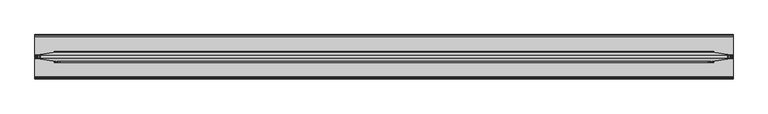
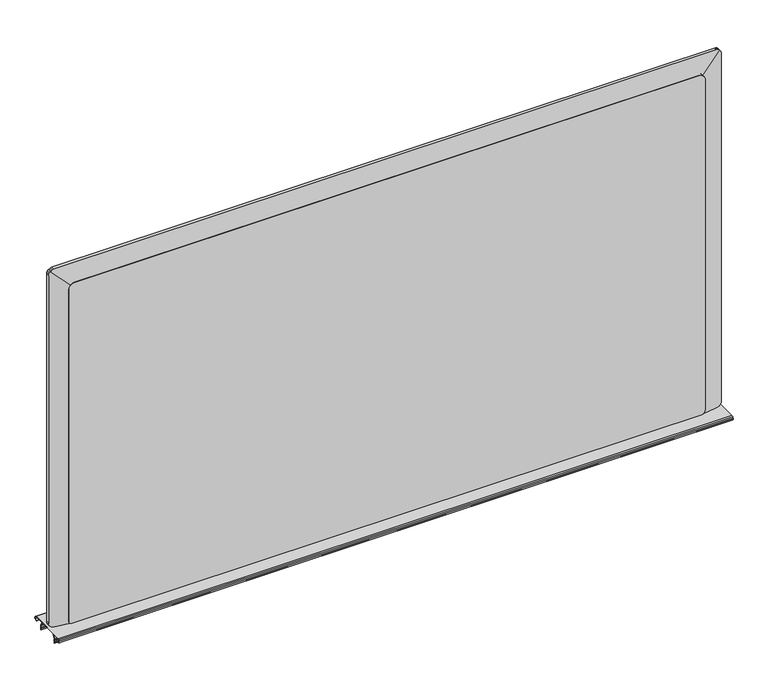
"""IFC4 building model written with IfcOpenShell, lengths in millimetres: furniture geometry."""

from ifc_helpers import new_model, si_unit, point, frame, frame_2d, origin, place, context, project, spatial, polyline, circle_curve, trimmed, segment, composite_curve, outline, extrude, faceted_brep, source, transform, mapped, element, save


def furniture_2015cd92(model_context):
    return source(origin(), model_context, "Body", "SolidModel", [
        extrude(outline(composite_curve([segment(trimmed(circle_curve(frame_2d((-75.1928863, 721.9857415)), 2.430138), [point((-76.6170666, 720.0166602))], [point((-77.2846954, 723.222635))], False, "CARTESIAN"), True, "CONTINUOUS"), segment(polyline([(-77.2846954, 723.222635), (-76.0762752, 725.2662905)]), True, "CONTINUOUS"), segment(trimmed(circle_curve(frame_2d((-74.0187119, 724.0496466)), 2.3903534), [point((-76.0762752, 725.2662905))], [point((-74.0187119, 726.44))], False, "CARTESIAN"), True, "CONTINUOUS"), segment(polyline([(-74.0187119, 726.44), (-4.2648863, 726.44)]), True, "CONTINUOUS"), segment(trimmed(circle_curve(frame_2d((-4.2648863, 724.0496466)), 2.3903534), [point((-4.2648863, 726.44))], [point((-2.207323, 725.2662905))], False, "CARTESIAN"), True, "CONTINUOUS"), segment(polyline([(-2.207323, 725.2662905), (-0.9989028, 723.222635)]), True, "CONTINUOUS"), segment(trimmed(circle_curve(frame_2d((-3.0907119, 721.9857415)), 2.430138), [point((-0.9989028, 723.222635))], [point((-1.6665316, 720.0166602))], False, "CARTESIAN"), True, "CONTINUOUS"), segment(polyline([(-1.6665316, 720.0166602), (-4.4860224, 717.9774031), (-4.9474775, 718.615414), (-2.1279867, 720.6546711)]), True, "CONTINUOUS"), segment(trimmed(circle_curve(frame_2d((-3.0907119, 721.9857415)), 1.642738), [point((-2.1279867, 720.6546711))], [point((-1.6766793, 722.8218636))], True, "CARTESIAN"), True, "CONTINUOUS"), segment(polyline([(-1.6766793, 722.8218636), (-2.8850995, 724.8655191)]), True, "CONTINUOUS"), segment(trimmed(circle_curve(frame_2d((-4.2648863, 724.0496466)), 1.6029534), [point((-2.8850995, 724.8655191))], [point((-4.2648863, 725.6526))], True, "CARTESIAN"), True, "CONTINUOUS"), segment(polyline([(-4.2648863, 725.6526), (-74.0187119, 725.6526)]), True, "CONTINUOUS"), segment(trimmed(circle_curve(frame_2d((-74.0187119, 724.0496466)), 1.6029534), [point((-74.0187119, 725.6526))], [point((-75.3984987, 724.8655191))], True, "CARTESIAN"), True, "CONTINUOUS"), segment(polyline([(-75.3984987, 724.8655191), (-76.6069189, 722.8218636)]), True, "CONTINUOUS"), segment(trimmed(circle_curve(frame_2d((-75.1928863, 721.9857415)), 1.642738), [point((-76.6069189, 722.8218636))], [point((-76.1556115, 720.6546711))], True, "CARTESIAN"), True, "CONTINUOUS"), segment(polyline([(-76.1556115, 720.6546711), (-73.3361207, 718.615414), (-73.7975758, 717.9774031), (-76.6170666, 720.0166602)]), True, "CONTINUOUS")], self_intersect=False)), frame((0.9128077, 0.0, 0.0), z_axis=(1.0, 0.0, 0.0), x_axis=(0.0, 1.0, 0.0)), (0.0, 0.0, 1.0), 1217.3743847),
        extrude(outline(composite_curve([segment(polyline([(-56.0461627, 725.6526), (-55.1072956, 725.6526), (-60.3912441, 717.5160387)]), True, "CONTINUOUS"), segment(trimmed(circle_curve(frame_2d((-59.5056044, 716.9408971)), 1.0560045), [point((-60.3912441, 717.5160387))], [point((-60.3859585, 716.3576971))], True, "CARTESIAN"), True, "CONTINUOUS"), segment(polyline([(-60.3859585, 716.3576971), (-59.3045938, 714.7253517)]), True, "CONTINUOUS"), segment(trimmed(circle_curve(frame_2d((-60.7484403, 713.7688601)), 1.7319264), [point((-59.3045938, 714.7253517))], [point((-59.5749626, 712.4950787))], False, "CARTESIAN"), True, "CONTINUOUS"), segment(polyline([(-59.5749626, 712.4950787), (-60.3183145, 711.8102619)]), True, "CONTINUOUS"), segment(trimmed(circle_curve(frame_2d((-59.7283038, 711.1698197)), 0.8707921), [point((-60.3183145, 711.8102619))], [point((-60.5065655, 710.779195))], True, "CARTESIAN"), True, "CONTINUOUS"), segment(polyline([(-60.5065655, 710.779195), (-59.6251222, 709.0230501), (-60.328853, 708.6698339), (-61.2102963, 710.4259788)]), True, "CONTINUOUS"), segment(trimmed(circle_curve(frame_2d((-59.7283038, 711.1698197)), 1.6581921), [point((-61.2102963, 710.4259788))], [point((-60.8518224, 712.3893717))], False, "CARTESIAN"), True, "CONTINUOUS"), segment(polyline([(-60.8518224, 712.3893717), (-60.1084705, 713.0741884)]), True, "CONTINUOUS"), segment(trimmed(circle_curve(frame_2d((-60.7484403, 713.7688601)), 0.9445264), [point((-60.1084705, 713.0741884))], [point((-59.9610216, 714.290494))], True, "CARTESIAN"), True, "CONTINUOUS"), segment(polyline([(-59.9610216, 714.290494), (-61.0423863, 715.9228394)]), True, "CONTINUOUS"), segment(trimmed(circle_curve(frame_2d((-59.5056044, 716.9408971)), 1.8434045), [point((-61.0423863, 715.9228394))], [point((-61.0516132, 717.9448877))], False, "CARTESIAN"), True, "CONTINUOUS"), segment(polyline([(-61.0516132, 717.9448877), (-56.0461627, 725.6526)]), True, "CONTINUOUS")], self_intersect=False)), frame((1.6764, 0.0, 0.0), z_axis=(1.0, 0.0, 0.0), x_axis=(0.0, 1.0, 0.0)), (0.0, 0.0, 1.0), 1215.8472),
        extrude(outline(composite_curve([segment(polyline([(-22.2374355, 725.6526), (-17.231985, 717.9448877)]), True, "CONTINUOUS"), segment(trimmed(circle_curve(frame_2d((-18.7779938, 716.9408971)), 1.8434045), [point((-17.231985, 717.9448877))], [point((-17.2412119, 715.9228394))], False, "CARTESIAN"), True, "CONTINUOUS"), segment(polyline([(-17.2412119, 715.9228394), (-18.3225766, 714.290494)]), True, "CONTINUOUS"), segment(trimmed(circle_curve(frame_2d((-17.5351579, 713.7688601)), 0.9445264), [point((-18.3225766, 714.290494))], [point((-18.1751277, 713.0741884))], True, "CARTESIAN"), True, "CONTINUOUS"), segment(polyline([(-18.1751277, 713.0741884), (-17.4317758, 712.3893717)]), True, "CONTINUOUS"), segment(trimmed(circle_curve(frame_2d((-18.5552944, 711.1698197)), 1.6581921), [point((-17.4317758, 712.3893717))], [point((-17.0733019, 710.4259788))], False, "CARTESIAN"), True, "CONTINUOUS"), segment(polyline([(-17.0733019, 710.4259788), (-17.9547452, 708.6698339), (-18.658476, 709.0230501), (-17.7770327, 710.779195)]), True, "CONTINUOUS"), segment(trimmed(circle_curve(frame_2d((-18.5552944, 711.1698197)), 0.8707921), [point((-17.7770327, 710.779195))], [point((-17.9652837, 711.8102619))], True, "CARTESIAN"), True, "CONTINUOUS"), segment(polyline([(-17.9652837, 711.8102619), (-18.7086356, 712.4950787)]), True, "CONTINUOUS"), segment(trimmed(circle_curve(frame_2d((-17.5351579, 713.7688601)), 1.7319264), [point((-18.7086356, 712.4950787))], [point((-18.9790044, 714.7253517))], False, "CARTESIAN"), True, "CONTINUOUS"), segment(polyline([(-18.9790044, 714.7253517), (-17.8976397, 716.3576971)]), True, "CONTINUOUS"), segment(trimmed(circle_curve(frame_2d((-18.7779938, 716.9408971)), 1.0560045), [point((-17.8976397, 716.3576971))], [point((-17.8923541, 717.5160387))], True, "CARTESIAN"), True, "CONTINUOUS"), segment(polyline([(-17.8923541, 717.5160387), (-23.1763025, 725.6526), (-22.2374355, 725.6526)]), True, "CONTINUOUS")], self_intersect=False)), frame((1.6764, 0.0, 0.0), z_axis=(1.0, 0.0, 0.0), x_axis=(0.0, 1.0, 0.0)), (0.0, 0.0, 1.0), 1215.8472),
        faceted_brep([(1181.1706046, -31.0258914, 726.44), (1181.1706046, -31.0258914, 1373.6778273), (1214.610999, -35.7256324, 1407.1182217), (1216.0505813, -35.9279525, 1405.2644416), (1217.0654782, -36.0705869, 1402.9387115), (1217.529602, -36.1358153, 1400.3247867), (1217.529602, -36.1358153, 736.1522143), (1217.0654782, -36.0705869, 733.5382895), (1216.0505813, -35.9279525, 731.2125594), (1214.5657155, -35.7192682, 729.3004668), (1212.97837, -35.4961813, 728.019295), (1210.5892336, -35.1604101, 726.93128), (1207.9816683, -34.7939407, 726.44), (1181.1706046, -47.5358914, 1373.6778273), (1181.1706046, -47.5358914, 726.44), (1207.9816683, -43.5773568, 726.44), (1210.5892336, -43.1923614, 726.93128), (1212.97837, -42.839616, 728.019295), (1214.5657155, -42.6052515, 729.3004668), (1216.0505813, -42.3860176, 731.2125594), (1217.0654782, -42.2361726, 733.5382895), (1217.529602, -42.1676468, 736.1522143), (1217.529602, -42.1676468, 1400.3247867), (1217.0654782, -42.2361726, 1402.9387115), (1216.0505813, -42.3860176, 1405.2644416), (1214.610999, -42.5985656, 1407.1182217), (38.0293954, -31.0258914, 1373.6778273), (38.0293954, -31.0258914, 726.4593375), (11.2802637, -34.7852367, 726.4593375), (8.6107664, -35.1604101, 726.9622859), (6.22163, -35.4961813, 728.0503009), (4.6342845, -35.7192682, 729.3314727), (3.1494187, -35.9279525, 731.2435652), (2.1345218, -36.0705869, 733.5692954), (1.670398, -36.1358153, 736.1832202), (1.670398, -36.1358153, 1400.3247867), (2.1345218, -36.0705869, 1402.9387115), (3.1494187, -35.9279525, 1405.2644416), (4.589001, -35.7256324, 1407.1182217), (38.0293954, -47.5358914, 726.4593375), (38.0293954, -47.5358914, 1373.6778273), (4.589001, -42.5985656, 1407.1182217), (3.1494187, -42.3860176, 1405.2644416), (2.1345218, -42.2361726, 1402.9387115), (1.670398, -42.1676468, 1400.3247867), (1.670398, -42.1676468, 736.1832202), (2.1345218, -42.2361726, 733.5692954), (3.1494187, -42.3860176, 731.2435652), (4.6342845, -42.6052515, 729.3314727), (6.22163, -42.839616, 728.0503009), (8.6107664, -43.1923614, 726.9622859), (11.2802637, -43.5865008, 726.4593375), (6.22163, -35.9138846, 1408.457706), (8.6107664, -36.0667951, 1409.545721), (11.2173961, -36.1358153, 1410.0368247), (1207.9826039, -36.1358153, 1410.0368247), (1210.5892336, -36.0667951, 1409.545721), (1212.97837, -35.9138846, 1408.457706), (1212.97837, -42.4007967, 1408.457706), (1210.5892336, -42.2401561, 1409.545721), (1207.9826039, -42.1676468, 1410.0368247), (11.2173961, -42.1676468, 1410.0368247), (8.6107664, -42.2401561, 1409.545721), (6.22163, -42.4007967, 1408.457706)], [[[0, 1, 2, 3, 4, 5, 6, 7, 8, 9, 10, 11, 12]], [[13, 14, 15, 16, 17, 18, 19, 20, 21, 22, 23, 24, 25]], [[26, 27, 28, 29, 30, 31, 32, 33, 34, 35, 36, 37, 38]], [[39, 40, 41, 42, 43, 44, 45, 46, 47, 48, 49, 50, 51]], [[1, 26, 38, 52, 53, 54, 55, 56, 57, 2]], [[40, 13, 25, 58, 59, 60, 61, 62, 63, 41]], [[1, 0, 14, 13]], [[39, 27, 26, 40]], [[26, 1, 13, 40]], [[33, 46, 45, 34]], [[46, 33, 32, 47]], [[47, 32, 31, 48]], [[48, 31, 30, 49]], [[49, 30, 29, 50]], [[50, 29, 28, 51]], [[27, 39, 51, 28]], [[14, 0, 12, 15]], [[34, 45, 44, 35]], [[54, 61, 60, 55]], [[21, 6, 5, 22]], [[20, 7, 6, 21]], [[7, 20, 19, 8]], [[8, 19, 18, 9]], [[9, 18, 17, 10]], [[10, 17, 16, 11]], [[11, 16, 15, 12]], [[43, 36, 35, 44]], [[36, 43, 42, 37]], [[41, 38, 37, 42]], [[38, 41, 63, 52]], [[52, 63, 62, 53]], [[53, 62, 61, 54]], [[4, 23, 22, 5]], [[23, 4, 3, 24]], [[2, 25, 24, 3]], [[25, 2, 57, 58]], [[58, 57, 56, 59]], [[59, 56, 55, 60]]]),
        extrude(outline(composite_curve([segment(polyline([(1376.4025743, 1173.7013514), (1376.4025743, 45.4986486), (1375.7165293, 41.8573286), (1374.6284416, 39.4681922), (1373.3472698, 37.8808467), (1371.4351772, 36.3959812), (1369.1095198, 35.3810842), (1366.4523236, 34.9949365), (731.2154514, 34.9949365)]), True, "CONTINUOUS"), segment(trimmed(circle_curve(frame_2d((731.2154514, 39.7510504)), 4.7561139), [point((731.2154514, 34.9949365))], [point((726.4593375, 39.7510504))], False, "CARTESIAN"), True, "CONTINUOUS"), segment(polyline([(726.4593375, 39.7510504), (726.4593375, 1176.41858)]), True, "CONTINUOUS"), segment(trimmed(circle_curve(frame_2d((734.245821, 1176.41858)), 7.7864835), [point((726.4593375, 1176.41858))], [point((734.245821, 1184.2050635))], False, "CARTESIAN"), True, "CONTINUOUS"), segment(polyline([(734.245821, 1184.2050635), (1366.4523236, 1184.2050635), (1369.1095198, 1183.8189158), (1371.4351772, 1182.8040188), (1373.3472698, 1181.3191533), (1374.6284416, 1179.7318078), (1375.7165293, 1177.3426714), (1376.4025743, 1173.7013514)]), True, "CONTINUOUS")], self_intersect=False)), frame((0.0, -48.8058914, 0.0), z_axis=(0.0, 1.0, 0.0), x_axis=(0.0, 0.0, 1.0)), (0.0, 0.0, 1.0), 19.05),
    ])


if __name__ == "__main__":
    model = new_model("IFC4")
    model_context = context("Model", 3, world=origin())
    ifc_project = project(units=[si_unit("LENGTHUNIT", "METRE", prefix="MILLI")], contexts=[model_context])
    site = spatial("IfcSite", under=ifc_project)
    building = spatial("IfcBuilding", under=site)
    placement = place(None, origin())
    furniture_shape = furniture_2015cd92(model_context)
    element("IfcFurniture", 1, at=placement, inside=building, context=model_context, shape_type="MappedRepresentation", body=[
        mapped(furniture_shape, transform((0.0, 0.0, 0.0), x_axis=(1.0, 0.0, 0.0), y_axis=(0.0, 1.0, 0.0), z_axis=(0.0, 0.0, 1.0))),
    ])
    save(model, "model.ifc")
